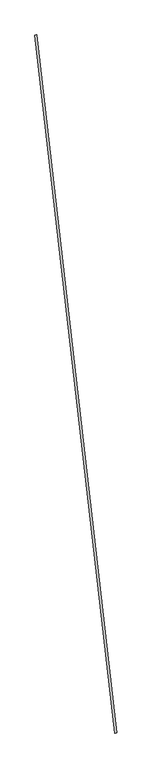
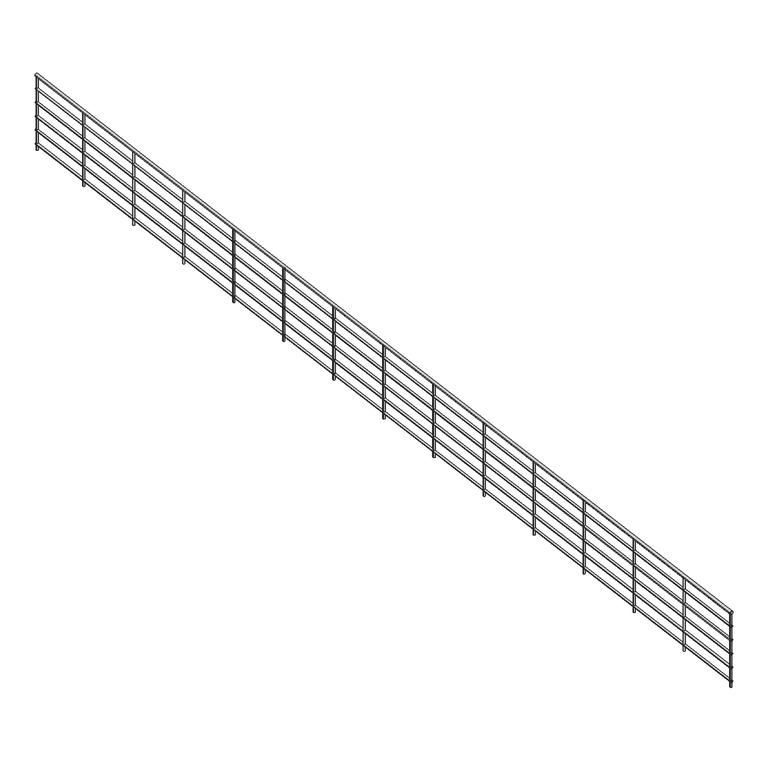
"""IFC4 building model written with IfcOpenShell, lengths in millimetres: railing geometry."""

from ifc_helpers import new_model, si_unit, point, frame, frame_2d, origin, place, context, project, spatial, circle_curve, trimmed, segment, composite_curve, outline, extrude, source, transform, mapped, element, save


def railing_579f45c8(model_context):
    return source(origin(), model_context, "Body", "SweptSolid", [
        extrude(outline(composite_curve([segment(trimmed(circle_curve(frame_2d((0.0, 20.0)), 20.0), [point((-20.0, 20.0))], [point((19.9999999, 20.0))], False, "CARTESIAN"), True, "CONTINUOUS"), segment(trimmed(circle_curve(frame_2d((0.0, 20.0)), 20.0), [point((19.9999999, 20.0))], [point((-20.0, 20.0))], False, "CARTESIAN"), True, "CONTINUOUS")], self_intersect=False)), frame((2262.3504884, -3447.4744365, 29700.0), z_axis=(-0.1135465911607282, 0.9935326726564047, 0.0), x_axis=(0.9935326726564047, 0.1135465911607282, 0.0)), (0.0, 0.0, 1.0), 13889.8300779),
        extrude(outline(composite_curve([segment(trimmed(circle_curve(frame_2d((0.0, 15.0)), 15.0), [point((-15.0, 15.0))], [point((15.0, 15.0))], False, "CARTESIAN"), True, "CONTINUOUS"), segment(trimmed(circle_curve(frame_2d((0.0, 15.0)), 15.0), [point((15.0, 15.0))], [point((-15.0, 15.0))], False, "CARTESIAN"), True, "CONTINUOUS")], self_intersect=False)), frame((2262.3504884, -3447.4744365, 29500.0), z_axis=(-0.1135465911607282, 0.9935326726564047, 0.0), x_axis=(0.9935326726564047, 0.1135465911607282, 0.0)), (0.0, 0.0, 1.0), 13889.8300779),
        extrude(outline(composite_curve([segment(trimmed(circle_curve(frame_2d((0.0, 15.0)), 15.0), [point((-15.0, 15.0))], [point((15.0, 15.0))], False, "CARTESIAN"), True, "CONTINUOUS"), segment(trimmed(circle_curve(frame_2d((0.0, 15.0)), 15.0), [point((15.0, 15.0))], [point((-15.0, 15.0))], False, "CARTESIAN"), True, "CONTINUOUS")], self_intersect=False)), frame((2262.3504884, -3447.4744365, 29300.0), z_axis=(-0.1135465911607282, 0.9935326726564047, 0.0), x_axis=(0.9935326726564047, 0.1135465911607282, 0.0)), (0.0, 0.0, 1.0), 13889.8300779),
        extrude(outline(composite_curve([segment(trimmed(circle_curve(frame_2d((0.0, 15.0)), 15.0), [point((-15.0, 15.0))], [point((15.0, 15.0))], False, "CARTESIAN"), True, "CONTINUOUS"), segment(trimmed(circle_curve(frame_2d((0.0, 15.0)), 15.0), [point((15.0, 15.0))], [point((-15.0, 15.0))], False, "CARTESIAN"), True, "CONTINUOUS")], self_intersect=False)), frame((2262.3504884, -3447.4744365, 29100.0), z_axis=(-0.1135465911607282, 0.9935326726564047, 0.0), x_axis=(0.9935326726564047, 0.1135465911607282, 0.0)), (0.0, 0.0, 1.0), 13889.8300779),
        extrude(outline(composite_curve([segment(trimmed(circle_curve(frame_2d((0.0, 15.0)), 15.0), [point((-15.0, 15.0))], [point((15.0, 15.0))], False, "CARTESIAN"), True, "CONTINUOUS"), segment(trimmed(circle_curve(frame_2d((0.0, 15.0)), 15.0), [point((15.0, 15.0))], [point((-15.0, 15.0))], False, "CARTESIAN"), True, "CONTINUOUS")], self_intersect=False)), frame((2262.3504884, -3447.4744365, 28900.0), z_axis=(-0.1135465911607282, 0.9935326726564047, 0.0), x_axis=(0.9935326726564047, 0.1135465911607282, 0.0)), (0.0, 0.0, 1.0), 13889.8300779),
        extrude(outline(composite_curve([segment(trimmed(circle_curve(frame_2d((0.0, 15.0)), 15.0), [point((-15.0, 15.0))], [point((15.0, 15.0))], False, "CARTESIAN"), True, "CONTINUOUS"), segment(trimmed(circle_curve(frame_2d((0.0, 15.0)), 15.0), [point((15.0, 15.0))], [point((-15.0, 15.0))], False, "CARTESIAN"), True, "CONTINUOUS")], self_intersect=False)), frame((2262.3504884, -3447.4744365, 28700.0), z_axis=(-0.1135465911607282, 0.9935326726564047, 0.0), x_axis=(0.9935326726564047, 0.1135465911607282, 0.0)), (0.0, 0.0, 1.0), 13889.8300779),
        extrude(outline(composite_curve([segment(trimmed(circle_curve(frame_2d((792.4995128, 9413.7215994)), 12.5), [point((780.0803544, 9412.302267))], [point((804.9186713, 9415.1409318))], False, "CARTESIAN"), True, "CONTINUOUS"), segment(trimmed(circle_curve(frame_2d((792.4995128, 9413.7215994)), 12.5), [point((804.9186713, 9415.1409318))], [point((780.0803544, 9412.302267))], False, "CARTESIAN"), True, "CONTINUOUS")], self_intersect=False)), frame((0.0, 0.0, 28600.0), z_axis=(0.0, 0.0, 1.0), x_axis=(1.0, 0.0, 0.0)), (0.0, 0.0, 1.0), 1060.0),
        extrude(outline(composite_curve([segment(trimmed(circle_curve(frame_2d((906.046104, 8420.1889268)), 12.5), [point((893.6269456, 8418.7695944))], [point((918.4652624, 8421.6082592))], False, "CARTESIAN"), True, "CONTINUOUS"), segment(trimmed(circle_curve(frame_2d((906.046104, 8420.1889268)), 12.5), [point((918.4652624, 8421.6082592))], [point((893.6269456, 8418.7695944))], False, "CARTESIAN"), True, "CONTINUOUS")], self_intersect=False)), frame((0.0, 0.0, 28600.0), z_axis=(0.0, 0.0, 1.0), x_axis=(1.0, 0.0, 0.0)), (0.0, 0.0, 1.0), 1060.0),
        extrude(outline(composite_curve([segment(trimmed(circle_curve(frame_2d((1019.5926952, 7426.6562541)), 12.5), [point((1007.1735368, 7425.2369217))], [point((1032.0118536, 7428.0755865))], False, "CARTESIAN"), True, "CONTINUOUS"), segment(trimmed(circle_curve(frame_2d((1019.5926952, 7426.6562541)), 12.5), [point((1032.0118536, 7428.0755865))], [point((1007.1735368, 7425.2369217))], False, "CARTESIAN"), True, "CONTINUOUS")], self_intersect=False)), frame((0.0, 0.0, 28600.0), z_axis=(0.0, 0.0, 1.0), x_axis=(1.0, 0.0, 0.0)), (0.0, 0.0, 1.0), 1060.0),
        extrude(outline(composite_curve([segment(trimmed(circle_curve(frame_2d((1133.1392863, 6433.1235814)), 12.5), [point((1120.7201279, 6431.7042491))], [point((1145.5584447, 6434.5429138))], False, "CARTESIAN"), True, "CONTINUOUS"), segment(trimmed(circle_curve(frame_2d((1133.1392863, 6433.1235814)), 12.5), [point((1145.5584447, 6434.5429138))], [point((1120.7201279, 6431.7042491))], False, "CARTESIAN"), True, "CONTINUOUS")], self_intersect=False)), frame((0.0, 0.0, 28600.0), z_axis=(0.0, 0.0, 1.0), x_axis=(1.0, 0.0, 0.0)), (0.0, 0.0, 1.0), 1060.0),
        extrude(outline(composite_curve([segment(trimmed(circle_curve(frame_2d((1246.6858775, 5439.5909088)), 12.5), [point((1234.2667191, 5438.1715764))], [point((1259.1050359, 5441.0102412))], False, "CARTESIAN"), True, "CONTINUOUS"), segment(trimmed(circle_curve(frame_2d((1246.6858775, 5439.5909088)), 12.5), [point((1259.1050359, 5441.0102412))], [point((1234.2667191, 5438.1715764))], False, "CARTESIAN"), True, "CONTINUOUS")], self_intersect=False)), frame((0.0, 0.0, 28600.0), z_axis=(0.0, 0.0, 1.0), x_axis=(1.0, 0.0, 0.0)), (0.0, 0.0, 1.0), 1060.0),
        extrude(outline(composite_curve([segment(trimmed(circle_curve(frame_2d((1360.2324686, 4446.0582361)), 12.5), [point((1347.8133102, 4444.6389037))], [point((1372.6516271, 4447.4775685))], False, "CARTESIAN"), True, "CONTINUOUS"), segment(trimmed(circle_curve(frame_2d((1360.2324686, 4446.0582361)), 12.5), [point((1372.6516271, 4447.4775685))], [point((1347.8133102, 4444.6389037))], False, "CARTESIAN"), True, "CONTINUOUS")], self_intersect=False)), frame((0.0, 0.0, 28600.0), z_axis=(0.0, 0.0, 1.0), x_axis=(1.0, 0.0, 0.0)), (0.0, 0.0, 1.0), 1060.0),
        extrude(outline(composite_curve([segment(trimmed(circle_curve(frame_2d((1473.7790598, 3452.5255635)), 12.5), [point((1461.3599014, 3451.1062311))], [point((1486.1982182, 3453.9448959))], False, "CARTESIAN"), True, "CONTINUOUS"), segment(trimmed(circle_curve(frame_2d((1473.7790598, 3452.5255635)), 12.5), [point((1486.1982182, 3453.9448959))], [point((1461.3599014, 3451.1062311))], False, "CARTESIAN"), True, "CONTINUOUS")], self_intersect=False)), frame((0.0, 0.0, 28600.0), z_axis=(0.0, 0.0, 1.0), x_axis=(1.0, 0.0, 0.0)), (0.0, 0.0, 1.0), 1060.0),
        extrude(outline(composite_curve([segment(trimmed(circle_curve(frame_2d((1587.325651, 2458.9928908)), 12.5), [point((1574.9064926, 2457.5735584))], [point((1599.7448094, 2460.4122232))], False, "CARTESIAN"), True, "CONTINUOUS"), segment(trimmed(circle_curve(frame_2d((1587.325651, 2458.9928908)), 12.5), [point((1599.7448094, 2460.4122232))], [point((1574.9064926, 2457.5735584))], False, "CARTESIAN"), True, "CONTINUOUS")], self_intersect=False)), frame((0.0, 0.0, 28600.0), z_axis=(0.0, 0.0, 1.0), x_axis=(1.0, 0.0, 0.0)), (0.0, 0.0, 1.0), 1060.0),
        extrude(outline(composite_curve([segment(trimmed(circle_curve(frame_2d((1700.8722421, 1465.4602182)), 12.5), [point((1688.4530837, 1464.0408858))], [point((1713.2914005, 1466.8795506))], False, "CARTESIAN"), True, "CONTINUOUS"), segment(trimmed(circle_curve(frame_2d((1700.8722421, 1465.4602182)), 12.5), [point((1713.2914005, 1466.8795506))], [point((1688.4530837, 1464.0408858))], False, "CARTESIAN"), True, "CONTINUOUS")], self_intersect=False)), frame((0.0, 0.0, 28600.0), z_axis=(0.0, 0.0, 1.0), x_axis=(1.0, 0.0, 0.0)), (0.0, 0.0, 1.0), 1060.0),
        extrude(outline(composite_curve([segment(trimmed(circle_curve(frame_2d((1814.4188333, 471.9275455)), 12.5), [point((1801.9996749, 470.5082131))], [point((1826.8379917, 473.3468779))], False, "CARTESIAN"), True, "CONTINUOUS"), segment(trimmed(circle_curve(frame_2d((1814.4188333, 471.9275455)), 12.5), [point((1826.8379917, 473.3468779))], [point((1801.9996749, 470.5082131))], False, "CARTESIAN"), True, "CONTINUOUS")], self_intersect=False)), frame((0.0, 0.0, 28600.0), z_axis=(0.0, 0.0, 1.0), x_axis=(1.0, 0.0, 0.0)), (0.0, 0.0, 1.0), 1060.0),
        extrude(outline(composite_curve([segment(trimmed(circle_curve(frame_2d((1927.9654245, -521.6051271)), 12.5), [point((1915.546266, -523.0244595))], [point((1940.3845829, -520.1857948))], False, "CARTESIAN"), True, "CONTINUOUS"), segment(trimmed(circle_curve(frame_2d((1927.9654245, -521.6051271)), 12.5), [point((1940.3845829, -520.1857948))], [point((1915.546266, -523.0244595))], False, "CARTESIAN"), True, "CONTINUOUS")], self_intersect=False)), frame((0.0, 0.0, 28600.0), z_axis=(0.0, 0.0, 1.0), x_axis=(1.0, 0.0, 0.0)), (0.0, 0.0, 1.0), 1060.0),
        extrude(outline(composite_curve([segment(trimmed(circle_curve(frame_2d((2041.5120156, -1515.1377998)), 12.5), [point((2029.0928572, -1516.5571322))], [point((2053.931174, -1513.7184674))], False, "CARTESIAN"), True, "CONTINUOUS"), segment(trimmed(circle_curve(frame_2d((2041.5120156, -1515.1377998)), 12.5), [point((2053.931174, -1513.7184674))], [point((2029.0928572, -1516.5571322))], False, "CARTESIAN"), True, "CONTINUOUS")], self_intersect=False)), frame((0.0, 0.0, 28600.0), z_axis=(0.0, 0.0, 1.0), x_axis=(1.0, 0.0, 0.0)), (0.0, 0.0, 1.0), 1060.0),
        extrude(outline(composite_curve([segment(trimmed(circle_curve(frame_2d((2155.0586068, -2508.6704725)), 12.5), [point((2142.6394484, -2510.0898048))], [point((2167.4777652, -2507.2511401))], False, "CARTESIAN"), True, "CONTINUOUS"), segment(trimmed(circle_curve(frame_2d((2155.0586068, -2508.6704725)), 12.5), [point((2167.4777652, -2507.2511401))], [point((2142.6394484, -2510.0898048))], False, "CARTESIAN"), True, "CONTINUOUS")], self_intersect=False)), frame((0.0, 0.0, 28600.0), z_axis=(0.0, 0.0, 1.0), x_axis=(1.0, 0.0, 0.0)), (0.0, 0.0, 1.0), 1060.0),
        extrude(outline(composite_curve([segment(trimmed(circle_curve(frame_2d((686.5928996, 10340.4044649)), 12.5), [point((674.1737412, 10338.9851325))], [point((699.0120581, 10341.8237973))], False, "CARTESIAN"), True, "CONTINUOUS"), segment(trimmed(circle_curve(frame_2d((686.5928996, 10340.4044649)), 12.5), [point((699.0120581, 10341.8237973))], [point((674.1737412, 10338.9851325))], False, "CARTESIAN"), True, "CONTINUOUS")], self_intersect=False)), frame((0.0, 0.0, 28600.0), z_axis=(0.0, 0.0, 1.0), x_axis=(1.0, 0.0, 0.0)), (0.0, 0.0, 1.0), 1060.0),
        extrude(outline(composite_curve([segment(trimmed(circle_curve(frame_2d((2260.96522, -3435.3533379)), 12.5), [point((2248.5460616, -3436.7726703))], [point((2273.3843784, -3433.9340055))], False, "CARTESIAN"), True, "CONTINUOUS"), segment(trimmed(circle_curve(frame_2d((2260.96522, -3435.3533379)), 12.5), [point((2273.3843784, -3433.9340055))], [point((2248.5460616, -3436.7726703))], False, "CARTESIAN"), True, "CONTINUOUS")], self_intersect=False)), frame((0.0, 0.0, 28600.0), z_axis=(0.0, 0.0, 1.0), x_axis=(1.0, 0.0, 0.0)), (0.0, 0.0, 1.0), 1060.0),
    ])


if __name__ == "__main__":
    model = new_model("IFC4")
    model_context = context("Model", 3, world=origin())
    ifc_project = project(units=[si_unit("LENGTHUNIT", "METRE", prefix="MILLI")], contexts=[model_context])
    site = spatial("IfcSite", under=ifc_project)
    building = spatial("IfcBuilding", under=site)
    placement = place(None, origin())
    railing_shape = railing_579f45c8(model_context)
    element("IfcRailing", 1, at=placement, inside=building, context=model_context, shape_type="MappedRepresentation", body=[
        mapped(railing_shape, transform((0.0, 0.0, 0.0), x_axis=(1.0, 0.0, 0.0), y_axis=(0.0, 1.0, 0.0), z_axis=(0.0, 0.0, 1.0))),
    ])
    save(model, "model.ifc")
